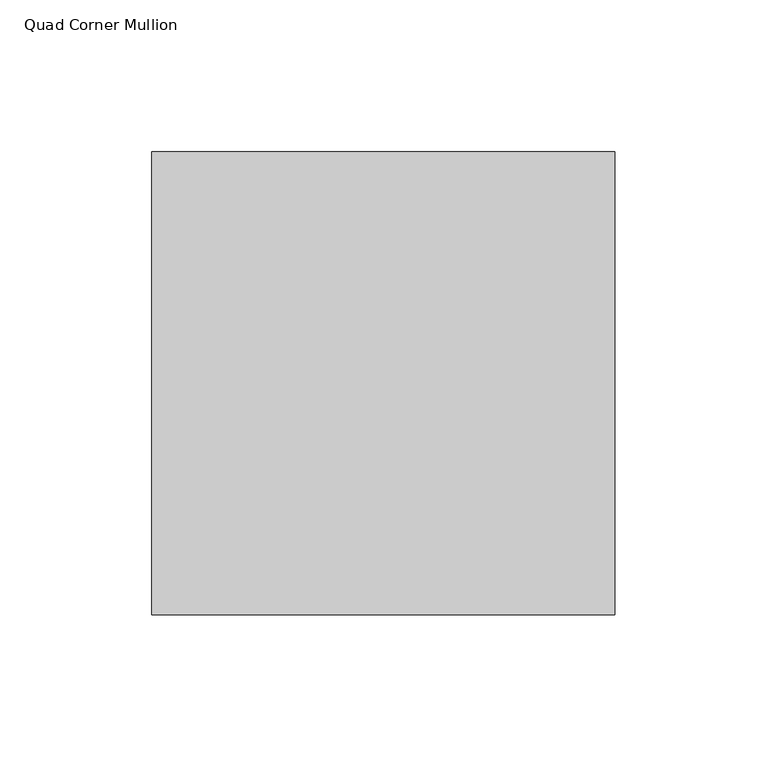
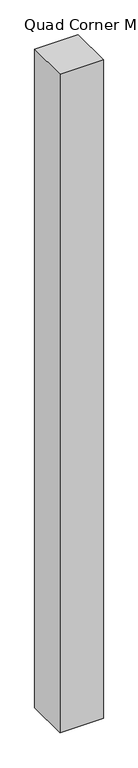
"""IFC4 building model written with IfcOpenShell, lengths in millimetres: member geometry, Quad Corner Mullion."""

import ifcopenshell
import ifcopenshell.guid

model = None  # the IFC model being written
_history = None  # IfcOwnerHistory: only IFC2X3 demands one
_inside = {}  # id of a spatial element -> (the spatial element, [elements in it])
_under = {}  # id of a project, library or spatial element -> (it, [spatial elements below it])
_declared = {}  # id of a project -> (the project, [libraries it declares])
_typed = {}  # id of a type object -> (the type object, [elements of that type])
_made_of = {}  # id of a material, layer set ... -> (it, [elements and type objects made of it])


def new_model(schema):
    """Start an empty IFC model of exactly this schema.

    Asked for "IFC4X3", IfcOpenShell would pick the latest addendum, in which some entities
    have other attributes; the version numbers below select the first issue.
    IFC2X3 requires an IfcOwnerHistory on every rooted entity: one is made here for all.
    """
    global model, _history
    if schema == "IFC4X3":
        model = ifcopenshell.file(schema_version=(4, 3, 0, 0))
    else:
        model = ifcopenshell.file(schema=schema)
    _inside.clear()
    _under.clear()
    _declared.clear()
    _typed.clear()
    _made_of.clear()
    _history = None
    if model.schema == "IFC2X3":
        org = make("IfcOrganization", Name="unknown")
        user = make(
            "IfcPersonAndOrganization",
            ThePerson=make("IfcPerson", FamilyName="unknown"),
            TheOrganization=org,
        )
        app = make(
            "IfcApplication",
            ApplicationDeveloper=org,
            Version="unknown",
            ApplicationFullName="unknown",
            ApplicationIdentifier="unknown",
        )
        _history = make(
            "IfcOwnerHistory",
            OwningUser=user,
            OwningApplication=app,
            ChangeAction="ADDED",
            CreationDate=0,
        )
    return model


def make(cls, **values):
    """One entity of the class cls with the attributes given. An attribute that is None is left unset."""
    return model.create_entity(
        cls, **{name: value for name, value in values.items() if value is not None}
    )


def rooted(cls, **values):
    """An entity with a GlobalId (a new one), such as an element, a storey or a relation."""
    return make(cls, GlobalId=ifcopenshell.guid.new(), OwnerHistory=_history, **values)


def si_unit(unit_type, name, prefix=None):
    """IfcSIUnit, for example si_unit("LENGTHUNIT", "METRE", prefix="MILLI")."""
    return make("IfcSIUnit", UnitType=unit_type, Prefix=prefix, Name=name)


def assignment(units):
    """IfcUnitAssignment: the units of a project."""
    return None if units is None else make("IfcUnitAssignment", Units=units)


def point(xyz):
    """IfcCartesianPoint."""
    return None if xyz is None else make("IfcCartesianPoint", Coordinates=xyz)


def direction(xyz):
    """IfcDirection."""
    return None if xyz is None else make("IfcDirection", DirectionRatios=xyz)


def frame(location, z_axis=None, x_axis=None):
    """IfcAxis2Placement3D, a coordinate frame: its origin and axes. An axis left out is left unset."""
    return make(
        "IfcAxis2Placement3D",
        Location=point(location),
        Axis=direction(z_axis),
        RefDirection=direction(x_axis),
    )


def origin():
    """The frame at (0, 0, 0) with its axes left unset."""
    return frame((0.0, 0.0, 0.0))


def place(relative_to, where):
    """IfcLocalPlacement: puts the frame where relative to a parent placement (None: the world)."""
    return make(
        "IfcLocalPlacement", PlacementRelTo=relative_to, RelativePlacement=where
    )


def context(
    kind, dimensions, precision=None, world=None, true_north=None, identifier=None
):
    """IfcGeometricRepresentationContext, for example the 3D "Model" context."""
    return make(
        "IfcGeometricRepresentationContext",
        ContextIdentifier=identifier,
        ContextType=kind,
        CoordinateSpaceDimension=dimensions,
        Precision=precision,
        WorldCoordinateSystem=world,
        TrueNorth=true_north,
    )


def project(units=None, contexts=None):
    """IfcProject with its units and contexts."""
    return rooted(
        "IfcProject",
        Name="project",
        RepresentationContexts=contexts,
        UnitsInContext=assignment(units),
    )


def spatial(cls, under=None, at=None, **own):
    """A site, building, storey or space (cls), placed at a placement, below another one or the project."""
    s = rooted(cls, ObjectPlacement=at, **own)
    if under is not None:
        _under.setdefault(under.id(), (under, []))[1].append(s)
    return s


def polyline(points):
    """IfcPolyline through the points."""
    return make("IfcPolyline", Points=[point(p) for p in points])


def outline(outer, holes=None, kind="AREA"):
    """IfcArbitraryClosedProfileDef: a profile drawn as a closed curve; with holes, ...WithVoids."""
    if holes is None:
        return make("IfcArbitraryClosedProfileDef", ProfileType=kind, OuterCurve=outer)
    return make(
        "IfcArbitraryProfileDefWithVoids",
        ProfileType=kind,
        OuterCurve=outer,
        InnerCurves=holes,
    )


def extrude(swept, where, along, depth):
    """IfcExtrudedAreaSolid: the profile swept, set in the frame where, extruded along a direction by depth."""
    return make(
        "IfcExtrudedAreaSolid",
        SweptArea=swept,
        Position=where,
        ExtrudedDirection=direction(along),
        Depth=depth,
    )


def shape(context_of_items, identifier, shape_type, items):
    """IfcShapeRepresentation: the items that make up one representation, for example the "Body"."""
    return make(
        "IfcShapeRepresentation",
        ContextOfItems=context_of_items,
        RepresentationIdentifier=identifier,
        RepresentationType=shape_type,
        Items=items,
    )


def source(mapping_origin, context_of_items, identifier, shape_type, items):
    """IfcRepresentationMap: a shape defined once, which mapped items show again and again."""
    return make(
        "IfcRepresentationMap",
        MappingOrigin=mapping_origin,
        MappedRepresentation=shape(context_of_items, identifier, shape_type, items),
    )


def transform(
    local_origin,
    x_axis=None,
    y_axis=None,
    z_axis=None,
    scale=None,
    scale2=None,
    scale3=None,
    uniform=True,
):
    """IfcCartesianTransformationOperator3D, or its non-uniform kind. x_axis, y_axis, z_axis: its Axis1, 2, 3."""
    if uniform:
        return make(
            "IfcCartesianTransformationOperator3D",
            Axis1=direction(x_axis),
            Axis2=direction(y_axis),
            LocalOrigin=point(local_origin),
            Scale=scale,
            Axis3=direction(z_axis),
        )
    return make(
        "IfcCartesianTransformationOperator3DnonUniform",
        Axis1=direction(x_axis),
        Axis2=direction(y_axis),
        LocalOrigin=point(local_origin),
        Scale=scale,
        Axis3=direction(z_axis),
        Scale2=scale2,
        Scale3=scale3,
    )


def mapped(mapping_source, mapping_target):
    """IfcMappedItem: shows the shape of a source again, moved by a transform."""
    return make(
        "IfcMappedItem", MappingSource=mapping_source, MappingTarget=mapping_target
    )


def made_of(thing, what):
    """Note that an element or type object is made of a material, layer set ...; save() writes the relation."""
    if what is not None:
        _made_of.setdefault(what.id(), (what, []))[1].append(thing)
    return thing


def element(
    cls,
    number,
    at=None,
    inside=None,
    cuts=None,
    type_object=None,
    material=None,
    context=None,
    identifier="Body",
    shape_type=None,
    held_by="IfcProductDefinitionShape",
    body=None,
    shapes=None,
    **own,
):
    """One element of the class cls, such as IfcWall. Its Tag is "e" and its number.

    at: its placement. inside: the storey or other place that contains it. cuts: it is an
    opening in that element (IfcRelVoidsElement). A single representation is given by context,
    identifier, shape_type and body (its items); several are given by shapes. held_by: the class
    of the entity that holds the representations. save() writes the other relations.
    """
    e = rooted(cls, Tag="e%d" % number, ObjectPlacement=at, **own)
    if body is not None:
        shapes = [shape(context, identifier, shape_type, body)]
    if shapes is not None:
        e.Representation = make(held_by, Representations=shapes)
    if inside is not None:
        _inside.setdefault(inside.id(), (inside, []))[1].append(e)
    if cuts is not None:
        rooted(
            "IfcRelVoidsElement", RelatingBuildingElement=cuts, RelatedOpeningElement=e
        )
    if type_object is not None:
        _typed.setdefault(type_object.id(), (type_object, []))[1].append(e)
    return made_of(e, material)


def aggregate(whole, parts):
    """IfcRelAggregates: a whole, such as a stair, and the parts it consists of."""
    return rooted("IfcRelAggregates", RelatingObject=whole, RelatedObjects=parts)


def save(model, path):
    """Write the relations noted so far, then the file.

    IfcRelAggregates (storeys below a building ...), IfcRelContainedInSpatialStructure (elements
    in a storey), IfcRelDefinesByType, IfcRelAssociatesMaterial and IfcRelDeclares: one each for
    every whole, place, type object, material and project.
    """
    for whole, parts in _under.values():
        aggregate(whole, parts)
    for where, things in _inside.values():
        rooted(
            "IfcRelContainedInSpatialStructure",
            RelatedElements=things,
            RelatingStructure=where,
        )
    for kind, things in _typed.values():
        rooted("IfcRelDefinesByType", RelatedObjects=things, RelatingType=kind)
    for what, things in _made_of.values():
        rooted("IfcRelAssociatesMaterial", RelatedObjects=things, RelatingMaterial=what)
    for by, libraries in _declared.values():
        rooted("IfcRelDeclares", RelatingContext=by, RelatedDefinitions=libraries)
    model.write(path)


def quad_corner_mullion_bca266bf(model_context):
    return source(origin(), model_context, "Body", "SweptSolid", [
        extrude(outline(polyline([(76.2, 76.2), (76.2, -76.2), (-76.2, -76.2), (-76.2, 76.2), (76.2, 76.2)])), frame((0.0, 0.0, -2438.4), z_axis=(0.0, 0.0, 1.0), x_axis=(1.0, 0.0, 0.0)), (0.0, 0.0, 1.0), 2438.4),
    ])


if __name__ == "__main__":
    model = new_model("IFC4")
    model_context = context("Model", 3, world=origin())
    ifc_project = project(units=[si_unit("LENGTHUNIT", "METRE", prefix="MILLI")], contexts=[model_context])
    site = spatial("IfcSite", under=ifc_project)
    building = spatial("IfcBuilding", under=site)
    placement = place(None, origin())
    quad_corner_mullion_shape = quad_corner_mullion_bca266bf(model_context)
    element("IfcMember", 1, ObjectType="Quad Corner Mullion", at=placement, inside=building, context=model_context, shape_type="MappedRepresentation", body=[
        mapped(quad_corner_mullion_shape, transform((0.0, 0.0, 0.0), x_axis=(1.0, 0.0, 0.0), y_axis=(0.0, 1.0, 0.0), z_axis=(0.0, 0.0, 1.0))),
    ])
    save(model, "model.ifc")
